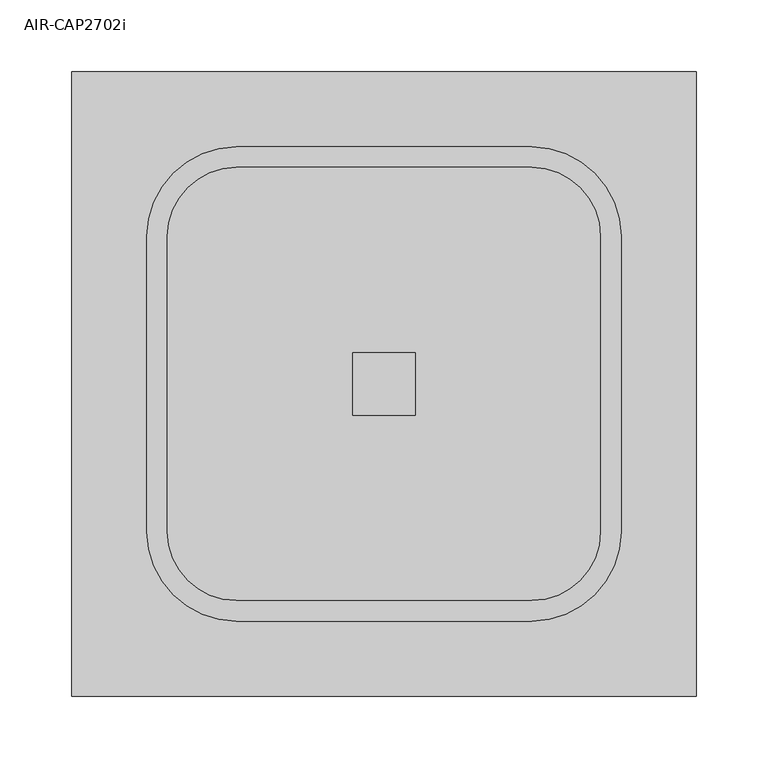
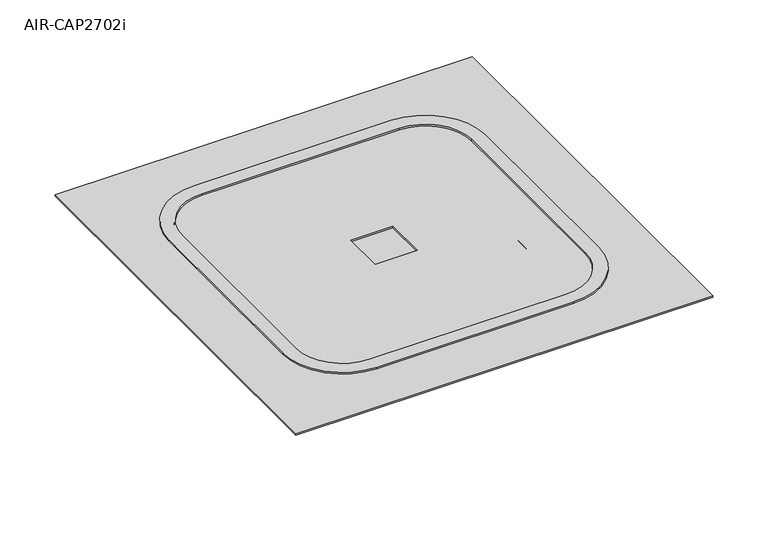
"""IFC4 building model written with IfcOpenShell, lengths in millimetres: electric appliance geometry, AIR-CAP2702i."""

from ifc_helpers import new_model, si_unit, point, frame, frame_2d, origin, origin_with_axes, place, context, project, spatial, polyline, circle_curve, ellipse_curve, trimmed, segment, composite_curve, outline, extrude, source, transform, mapped, element, save
from ifc_brep_helpers import plane_surface, cylinder_surface, revolved_surface, advanced_brep


def air_cap2702i_c8866272(model_context):
    return source(origin(), model_context, "Body", "SolidModel", [
        extrude(outline(composite_curve([segment(polyline([(182.0758539, -55.3225994), (-23.6641461, -55.3225994)]), True, "CONTINUOUS"), segment(trimmed(circle_curve(frame_2d((-23.6641461, -23.3036249)), 32.0189745), [point((-23.6641461, -55.3225994))], [point((-55.6831205, -23.3036249))], False, "CARTESIAN"), True, "CONTINUOUS"), segment(polyline([(-55.6831205, -23.3036249), (-55.6831205, 182.4363751)]), True, "CONTINUOUS"), segment(trimmed(circle_curve(frame_2d((-23.6641461, 182.4363751)), 32.0189745), [point((-55.6831205, 182.4363751))], [point((-23.6641461, 214.4553495))], False, "CARTESIAN"), True, "CONTINUOUS"), segment(polyline([(-23.6641461, 214.4553495), (182.0758539, 214.4553495)]), True, "CONTINUOUS"), segment(trimmed(circle_curve(frame_2d((182.0758539, 182.4363751)), 32.0189745), [point((182.0758539, 214.4553495))], [point((214.0948284, 182.4363751))], False, "CARTESIAN"), True, "CONTINUOUS"), segment(polyline([(214.0948284, 182.4363751), (214.0948284, -23.3036249)]), True, "CONTINUOUS"), segment(trimmed(circle_curve(frame_2d((182.0758539, -23.3036249)), 32.0189745), [point((214.0948284, -23.3036249))], [point((182.0758539, -55.3225994))], False, "CARTESIAN"), True, "CONTINUOUS")], self_intersect=False)), frame((0.0, 0.0, -50.8), z_axis=(0.0, 0.0, 1.0), x_axis=(1.0, 0.0, 0.0)), (0.0, 0.0, 1.0), 1.5875),
        advanced_brep(
        [(231.6058539, -23.3036249, -1.778), (231.6058539, -23.3036249, 1.5875), (182.0758539, -72.8336249, 1.5875), (182.0758539, -72.8336249, -1.778), (226.6896043, -23.3036249, -39.7314476), (182.0758539, -67.9173752, -39.7314476), (214.0948284, -23.3036249, -50.8), (182.0758539, -55.3225994, -50.8), (214.0948284, -23.3036249, -49.2125), (182.0758539, -55.3225994, -49.2125), (225.1152573, -23.3036249, -39.5275167), (182.0758539, -66.3430283, -39.5275167), (230.0183539, -23.3036249, -1.6756104), (182.0758539, -71.2461249, -1.6756104), (230.0183539, -23.3036249, 3.175), (182.0758539, -71.2461249, 3.175), (244.3058539, -23.3036249, 1.5875), (244.3058539, -23.3036249, 3.175), (182.0758539, -85.5336249, 3.175), (182.0758539, -85.5336249, 1.5875), (231.6058539, 182.4363751, -1.778), (231.6058539, 182.4363751, 1.5875), (226.6896043, 182.4363751, -39.7314476), (214.0948284, 182.4363751, -50.8), (214.0948284, 182.4363751, -49.2125), (225.1152573, 182.4363751, -39.5275167), (230.0183539, 182.4363751, -1.6756104), (230.0183539, 182.4363751, 3.175), (244.3058539, 182.4363751, 1.5875), (244.3058539, 182.4363751, 3.175), (182.0758539, 231.9663751, -1.778), (182.0758539, 231.9663751, 1.5875), (182.0758539, 227.0501254, -39.7314476), (182.0758539, 214.4553495, -50.8), (182.0758539, 214.4553495, -49.2125), (182.0758539, 225.4757784, -39.5275167), (182.0758539, 230.3788751, -1.6756104), (182.0758539, 230.3788751, 3.175), (182.0758539, 244.6663751, 1.5875), (182.0758539, 244.6663751, 3.175), (-23.6641461, 231.9663751, -1.778), (-23.6641461, 231.9663751, 1.5875), (-23.6641461, 227.0501254, -39.7314476), (-23.6641461, 214.4553495, -50.8), (-23.6641461, 214.4553495, -49.2125), (-23.6641461, 225.4757784, -39.5275167), (-23.6641461, 230.3788751, -1.6756104), (-23.6641461, 230.3788751, 3.175), (-23.6641461, 244.6663751, 1.5875), (-23.6641461, 244.6663751, 3.175), (-73.1941461, 182.4363751, -1.778), (-73.1941461, 182.4363751, 1.5875), (-68.2778964, 182.4363751, -39.7314476), (-55.6831205, 182.4363751, -50.8), (-55.6831205, 182.4363751, -49.2125), (-66.7035494, 182.4363751, -39.5275167), (-71.6066461, 182.4363751, -1.6756104), (-71.6066461, 182.4363751, 3.175), (-85.8941461, 182.4363751, 1.5875), (-85.8941461, 182.4363751, 3.175), (-73.1941461, -23.3036249, -1.778), (-73.1941461, -23.3036249, 1.5875), (-68.2778964, -23.3036249, -39.7314476), (-55.6831205, -23.3036249, -50.8), (-55.6831205, -23.3036249, -49.2125), (-66.7035494, -23.3036249, -39.5275167), (-71.6066461, -23.3036249, -1.6756104), (-71.6066461, -23.3036249, 3.175), (-85.8941461, -23.3036249, 1.5875), (-85.8941461, -23.3036249, 3.175), (-23.6641461, -72.8336249, -1.778), (-23.6641461, -72.8336249, 1.5875), (-23.6641461, -67.9173752, -39.7314476), (-23.6641461, -55.3225994, -50.8), (-23.6641461, -55.3225994, -49.2125), (-23.6641461, -66.3430283, -39.5275167), (-23.6641461, -71.2461249, -1.6756104), (-23.6641461, -71.2461249, 3.175), (-23.6641461, -85.5336249, 3.175), (-23.6641461, -85.5336249, 1.5875)],
        [
            (0, 1),
            (1, 2, circle_curve(frame((182.0758539, -23.3036249, 1.5875), z_axis=(0.0, 0.0, -1.0), x_axis=(0.0, -1.0, 0.0)), 49.53)),
            (2, 3),
            (3, 0, circle_curve(frame((182.0758539, -23.3036249, -1.778), z_axis=(0.0, 0.0, 1.0), x_axis=(0.0, -1.0, 0.0)), 49.53)),
            (4, 0),
            (3, 5),
            (5, 4, circle_curve(frame((182.0758539, -23.3036249, -39.7314476), z_axis=(0.0, 0.0, 1.0), x_axis=(0.0, -1.0, 0.0)), 44.6137503)),
            (6, 4, circle_curve(frame((214.0948284, -23.3036249, -38.1), z_axis=(0.0, -1.0, 0.0), x_axis=(1.0, 0.0, 0.0)), 12.7)),
            (5, 7, circle_curve(frame((182.0758539, -55.3225994, -38.1), z_axis=(1.0, 0.0, 0.0), x_axis=(0.0, -1.0, 0.0)), 12.7)),
            (7, 6, circle_curve(frame((182.0758539, -23.3036249, -50.8), z_axis=(0.0, 0.0, 1.0), x_axis=(0.0, -1.0, 0.0)), 32.0189745)),
            (8, 6),
            (7, 9),
            (9, 8, circle_curve(frame((182.0758539, -23.3036249, -49.2125), z_axis=(0.0, 0.0, 1.0), x_axis=(0.0, -1.0, 0.0)), 32.0189745)),
            (10, 8, circle_curve(frame((214.0948284, -23.3036249, -38.1), z_axis=(0.0, 1.0, 0.0), x_axis=(1.0, 0.0, 0.0)), 11.1125)),
            (9, 11, circle_curve(frame((182.0758539, -55.3225994, -38.1), z_axis=(-1.0, 0.0, 0.0), x_axis=(0.0, -1.0, 0.0)), 11.1125)),
            (11, 10, circle_curve(frame((182.0758539, -23.3036249, -39.5275167), z_axis=(0.0, 0.0, 1.0), x_axis=(0.0, -1.0, 0.0)), 43.0394033)),
            (12, 10),
            (11, 13),
            (13, 12, circle_curve(frame((182.0758539, -23.3036249, -1.6756104), z_axis=(0.0, 0.0, 1.0), x_axis=(0.0, -1.0, 0.0)), 47.9425)),
            (14, 12),
            (13, 15),
            (15, 14, circle_curve(frame((182.0758539, -23.3036249, 3.175), z_axis=(0.0, 0.0, 1.0), x_axis=(0.0, -1.0, 0.0)), 47.9425)),
            (16, 17),
            (17, 18, circle_curve(frame((182.0758539, -23.3036249, 3.175), z_axis=(0.0, 0.0, -1.0), x_axis=(0.0, -1.0, 0.0)), 62.23)),
            (18, 19),
            (19, 16, circle_curve(frame((182.0758539, -23.3036249, 1.5875), z_axis=(0.0, 0.0, 1.0), x_axis=(0.0, -1.0, 0.0)), 62.23)),
            (0, 20),
            (20, 21),
            (21, 1),
            (4, 22),
            (22, 20),
            (6, 23),
            (23, 22, circle_curve(frame((214.0948284, 182.4363751, -38.1), z_axis=(0.0, -1.0, 0.0), x_axis=(1.0, 0.0, 0.0)), 12.7)),
            (8, 24),
            (24, 23),
            (10, 25),
            (25, 24, circle_curve(frame((214.0948284, 182.4363751, -38.1), z_axis=(0.0, 1.0, 0.0), x_axis=(1.0, 0.0, 0.0)), 11.1125)),
            (12, 26),
            (26, 25),
            (14, 27),
            (27, 26),
            (16, 28),
            (28, 29),
            (29, 17),
            (30, 31),
            (31, 21, circle_curve(frame((182.0758539, 182.4363751, 1.5875), z_axis=(0.0, 0.0, -1.0), x_axis=(1.0, 0.0, 0.0)), 49.53)),
            (20, 30, circle_curve(frame((182.0758539, 182.4363751, -1.778), z_axis=(0.0, 0.0, 1.0), x_axis=(1.0, 0.0, 0.0)), 49.53)),
            (32, 30),
            (22, 32, circle_curve(frame((182.0758539, 182.4363751, -39.7314476), z_axis=(0.0, 0.0, 1.0), x_axis=(1.0, 0.0, 0.0)), 44.6137503)),
            (33, 32, circle_curve(frame((182.0758539, 214.4553495, -38.1), z_axis=(1.0, 0.0, 0.0), x_axis=(0.0, 1.0, 0.0)), 12.7)),
            (23, 33, circle_curve(frame((182.0758539, 182.4363751, -50.8), z_axis=(0.0, 0.0, 1.0), x_axis=(1.0, 0.0, 0.0)), 32.0189745)),
            (34, 33),
            (24, 34, circle_curve(frame((182.0758539, 182.4363751, -49.2125), z_axis=(0.0, 0.0, 1.0), x_axis=(1.0, 0.0, 0.0)), 32.0189745)),
            (35, 34, circle_curve(frame((182.0758539, 214.4553495, -38.1), z_axis=(-1.0, 0.0, 0.0), x_axis=(0.0, 1.0, 0.0)), 11.1125)),
            (25, 35, circle_curve(frame((182.0758539, 182.4363751, -39.5275167), z_axis=(0.0, 0.0, 1.0), x_axis=(1.0, 0.0, 0.0)), 43.0394033)),
            (36, 35),
            (26, 36, circle_curve(frame((182.0758539, 182.4363751, -1.6756104), z_axis=(0.0, 0.0, 1.0), x_axis=(1.0, 0.0, 0.0)), 47.9425)),
            (37, 36),
            (27, 37, circle_curve(frame((182.0758539, 182.4363751, 3.175), z_axis=(0.0, 0.0, 1.0), x_axis=(1.0, 0.0, 0.0)), 47.9425)),
            (38, 39),
            (39, 29, circle_curve(frame((182.0758539, 182.4363751, 3.175), z_axis=(0.0, 0.0, -1.0), x_axis=(1.0, 0.0, 0.0)), 62.23)),
            (28, 38, circle_curve(frame((182.0758539, 182.4363751, 1.5875), z_axis=(0.0, 0.0, 1.0), x_axis=(1.0, 0.0, 0.0)), 62.23)),
            (30, 40),
            (40, 41),
            (41, 31),
            (32, 42),
            (42, 40),
            (33, 43),
            (43, 42, circle_curve(frame((-23.6641461, 214.4553495, -38.1), z_axis=(1.0, 0.0, 0.0), x_axis=(0.0, 1.0, 0.0)), 12.7)),
            (34, 44),
            (44, 43),
            (35, 45),
            (45, 44, circle_curve(frame((-23.6641461, 214.4553495, -38.1), z_axis=(-1.0, 0.0, 0.0), x_axis=(0.0, 1.0, 0.0)), 11.1125)),
            (36, 46),
            (46, 45),
            (37, 47),
            (47, 46),
            (38, 48),
            (48, 49),
            (49, 39),
            (50, 51),
            (51, 41, circle_curve(frame((-23.6641461, 182.4363751, 1.5875), z_axis=(0.0, 0.0, -1.0), x_axis=(0.0, 1.0, 0.0)), 49.53)),
            (40, 50, circle_curve(frame((-23.6641461, 182.4363751, -1.778), z_axis=(0.0, 0.0, 1.0), x_axis=(0.0, 1.0, 0.0)), 49.53)),
            (52, 50),
            (42, 52, circle_curve(frame((-23.6641461, 182.4363751, -39.7314476), z_axis=(0.0, 0.0, 1.0), x_axis=(0.0, 1.0, 0.0)), 44.6137503)),
            (53, 52, circle_curve(frame((-55.6831205, 182.4363751, -38.1), z_axis=(0.0, 1.0, 0.0), x_axis=(-1.0, 0.0, 0.0)), 12.7)),
            (43, 53, circle_curve(frame((-23.6641461, 182.4363751, -50.8), z_axis=(0.0, 0.0, 1.0), x_axis=(0.0, 1.0, 0.0)), 32.0189745)),
            (54, 53),
            (44, 54, circle_curve(frame((-23.6641461, 182.4363751, -49.2125), z_axis=(0.0, 0.0, 1.0), x_axis=(0.0, 1.0, 0.0)), 32.0189745)),
            (55, 54, circle_curve(frame((-55.6831205, 182.4363751, -38.1), z_axis=(0.0, -1.0, 0.0), x_axis=(-1.0, 0.0, 0.0)), 11.1125)),
            (45, 55, circle_curve(frame((-23.6641461, 182.4363751, -39.5275167), z_axis=(0.0, 0.0, 1.0), x_axis=(0.0, 1.0, 0.0)), 43.0394033)),
            (56, 55),
            (46, 56, circle_curve(frame((-23.6641461, 182.4363751, -1.6756104), z_axis=(0.0, 0.0, 1.0), x_axis=(0.0, 1.0, 0.0)), 47.9425)),
            (57, 56),
            (47, 57, circle_curve(frame((-23.6641461, 182.4363751, 3.175), z_axis=(0.0, 0.0, 1.0), x_axis=(0.0, 1.0, 0.0)), 47.9425)),
            (58, 59),
            (59, 49, circle_curve(frame((-23.6641461, 182.4363751, 3.175), z_axis=(0.0, 0.0, -1.0), x_axis=(0.0, 1.0, 0.0)), 62.23)),
            (48, 58, circle_curve(frame((-23.6641461, 182.4363751, 1.5875), z_axis=(0.0, 0.0, 1.0), x_axis=(0.0, 1.0, 0.0)), 62.23)),
            (50, 60),
            (60, 61),
            (61, 51),
            (52, 62),
            (62, 60),
            (53, 63),
            (63, 62, circle_curve(frame((-55.6831205, -23.3036249, -38.1), z_axis=(0.0, 1.0, 0.0), x_axis=(-1.0, 0.0, 0.0)), 12.7)),
            (54, 64),
            (64, 63),
            (55, 65),
            (65, 64, circle_curve(frame((-55.6831205, -23.3036249, -38.1), z_axis=(0.0, -1.0, 0.0), x_axis=(-1.0, 0.0, 0.0)), 11.1125)),
            (56, 66),
            (66, 65),
            (57, 67),
            (67, 66),
            (58, 68),
            (68, 69),
            (69, 59),
            (70, 71),
            (71, 61, circle_curve(frame((-23.6641461, -23.3036249, 1.5875), z_axis=(0.0, 0.0, -1.0), x_axis=(-1.0, 0.0, 0.0)), 49.53)),
            (60, 70, circle_curve(frame((-23.6641461, -23.3036249, -1.778), z_axis=(0.0, 0.0, 1.0), x_axis=(-1.0, 0.0, 0.0)), 49.53)),
            (72, 70),
            (62, 72, circle_curve(frame((-23.6641461, -23.3036249, -39.7314476), z_axis=(0.0, 0.0, 1.0), x_axis=(-1.0, 0.0, 0.0)), 44.6137503)),
            (73, 72, circle_curve(frame((-23.6641461, -55.3225994, -38.1), z_axis=(-1.0, 0.0, 0.0), x_axis=(0.0, -1.0, 0.0)), 12.7)),
            (63, 73, circle_curve(frame((-23.6641461, -23.3036249, -50.8), z_axis=(0.0, 0.0, 1.0), x_axis=(-1.0, 0.0, 0.0)), 32.0189745)),
            (74, 73),
            (64, 74, circle_curve(frame((-23.6641461, -23.3036249, -49.2125), z_axis=(0.0, 0.0, 1.0), x_axis=(-1.0, 0.0, 0.0)), 32.0189745)),
            (75, 74, circle_curve(frame((-23.6641461, -55.3225994, -38.1), z_axis=(1.0, 0.0, 0.0), x_axis=(0.0, -1.0, 0.0)), 11.1125)),
            (65, 75, circle_curve(frame((-23.6641461, -23.3036249, -39.5275167), z_axis=(0.0, 0.0, 1.0), x_axis=(-1.0, 0.0, 0.0)), 43.0394033)),
            (76, 75),
            (66, 76, circle_curve(frame((-23.6641461, -23.3036249, -1.6756104), z_axis=(0.0, 0.0, 1.0), x_axis=(-1.0, 0.0, 0.0)), 47.9425)),
            (77, 76),
            (67, 77, circle_curve(frame((-23.6641461, -23.3036249, 3.175), z_axis=(0.0, 0.0, 1.0), x_axis=(-1.0, 0.0, 0.0)), 47.9425)),
            (78, 18),
            (69, 78, circle_curve(frame((-23.6641461, -23.3036249, 3.175), z_axis=(0.0, 0.0, 1.0), x_axis=(-1.0, 0.0, 0.0)), 62.23)),
            (15, 77),
            (79, 78),
            (68, 79, circle_curve(frame((-23.6641461, -23.3036249, 1.5875), z_axis=(0.0, 0.0, 1.0), x_axis=(-1.0, 0.0, 0.0)), 62.23)),
            (19, 79),
            (71, 2),
            (70, 3),
            (72, 5),
            (73, 7),
            (74, 9),
            (75, 11),
            (76, 13),
        ],
        [
            cylinder_surface(frame((182.0758539, -23.3036249, 0.0), z_axis=(0.0, 0.0, -1.0), x_axis=(0.0, -1.0, 0.0)), 49.53),
            revolved_surface(polyline([(182.0758539, -72.8336249, -1.778), (182.0758539, -67.9173752, -39.7314476)]), (182.0758539, -23.3036249, 0.0), (0.0, 0.0, -1.0)),
            revolved_surface(trimmed(ellipse_curve(frame((182.0758539, -55.3225994, -38.1), z_axis=(1.0, 0.0, 0.0), x_axis=(0.0, -1.0, 0.0)), 12.7, 12.7), [point((182.0758539, -67.9173752, -39.7314476))], [point((182.0758539, -55.3225994, -50.8))], True, "CARTESIAN"), (182.0758539, -23.3036249, 0.0), (0.0, 0.0, -1.0)),
            revolved_surface(polyline([(182.0758539, -55.3225994, -50.8), (182.0758539, -55.3225994, -49.2125)]), (182.0758539, -23.3036249, 0.0), (0.0, 0.0, -1.0)),
            revolved_surface(trimmed(ellipse_curve(frame((182.0758539, -55.3225994, -38.1), z_axis=(-1.0, 0.0, 0.0), x_axis=(0.0, -1.0, 0.0)), 11.1125, 11.1125), [point((182.0758539, -55.3225994, -49.2125))], [point((182.0758539, -66.3430283, -39.5275167))], True, "CARTESIAN"), (182.0758539, -23.3036249, 0.0), (0.0, 0.0, -1.0)),
            revolved_surface(polyline([(182.0758539, -66.3430283, -39.5275167), (182.0758539, -71.2461249, -1.6756104)]), (182.0758539, -23.3036249, 0.0), (0.0, 0.0, -1.0)),
            revolved_surface(polyline([(182.0758539, -71.2461249, -1.6756104), (182.0758539, -71.2461249, 3.175)]), (182.0758539, -23.3036249, 0.0), (0.0, 0.0, -1.0)),
            cylinder_surface(frame((182.0758539, -23.3036249, 0.0), z_axis=(0.0, 0.0, -1.0), x_axis=(0.0, -1.0, 0.0)), 62.23),
            plane_surface(frame((231.6058539, -23.3036249, 1.5875), z_axis=(1.0, 0.0, 0.0), x_axis=(0.0, 1.0, 0.0))),
            plane_surface(frame((231.6058539, -23.3036249, -1.778), z_axis=(0.9917146334184787, 0.0, -0.12846044474332385), x_axis=(0.0, 1.0, 0.0))),
            cylinder_surface(frame((214.0948284, -23.3036249, -38.1), z_axis=(0.0, -1.0, 0.0), x_axis=(1.0, 0.0, 0.0)), 12.7),
            plane_surface(frame((214.0948284, -23.3036249, -50.8), z_axis=(-1.0, 0.0, 0.0), x_axis=(0.0, 1.0, 0.0))),
            revolved_surface(polyline([(225.20732840000002, 182.4363751, -38.1), (225.20732840000002, -23.3036249, -38.1)]), (214.0948284, -23.3036249, -38.1), (0.0, 1.0, 0.0)),
            plane_surface(frame((225.1152573, -23.3036249, -39.5275167), z_axis=(-0.9917146334184783, 0.0, 0.12846044474332674), x_axis=(0.0, 1.0, 0.0))),
            plane_surface(frame((230.0183539, -23.3036249, -1.6756104), z_axis=(-1.0, 0.0, 0.0), x_axis=(0.0, 1.0, 0.0))),
            plane_surface(frame((244.3058539, -23.3036249, 3.175), z_axis=(1.0, 0.0, 0.0), x_axis=(0.0, 1.0, 0.0))),
            cylinder_surface(frame((182.0758539, 182.4363751, 0.0), z_axis=(0.0, 0.0, -1.0), x_axis=(1.0, 0.0, 0.0)), 49.53),
            revolved_surface(polyline([(231.6058539, 182.4363751, -1.778), (226.6896043, 182.4363751, -39.7314476)]), (182.0758539, 182.4363751, 0.0), (0.0, 0.0, -1.0)),
            revolved_surface(trimmed(ellipse_curve(frame((214.0948284, 182.4363751, -38.1), z_axis=(0.0, 1.0, 0.0), x_axis=(1.0, 0.0, 0.0)), 12.7, 12.7), [point((226.6896043, 182.4363751, -39.7314476))], [point((214.0948284, 182.4363751, -50.8))], True, "CARTESIAN"), (182.0758539, 182.4363751, 0.0), (0.0, 0.0, -1.0)),
            revolved_surface(polyline([(214.09482839999998, 182.4363751, -50.8), (214.09482839999998, 182.4363751, -49.2125)]), (182.0758539, 182.4363751, 0.0), (0.0, 0.0, -1.0)),
            revolved_surface(trimmed(ellipse_curve(frame((214.0948284, 182.4363751, -38.1), z_axis=(0.0, -1.0, 0.0), x_axis=(1.0, 0.0, 0.0)), 11.1125, 11.1125), [point((214.0948284, 182.4363751, -49.2125))], [point((225.1152573, 182.4363751, -39.5275167))], True, "CARTESIAN"), (182.0758539, 182.4363751, 0.0), (0.0, 0.0, -1.0)),
            revolved_surface(polyline([(225.1152573, 182.4363751, -39.5275167), (230.0183539, 182.4363751, -1.6756104)]), (182.0758539, 182.4363751, 0.0), (0.0, 0.0, -1.0)),
            revolved_surface(polyline([(230.0183539, 182.4363751, -1.6756104), (230.0183539, 182.4363751, 3.175)]), (182.0758539, 182.4363751, 0.0), (0.0, 0.0, -1.0)),
            cylinder_surface(frame((182.0758539, 182.4363751, 0.0), z_axis=(0.0, 0.0, -1.0), x_axis=(1.0, 0.0, 0.0)), 62.23),
            plane_surface(frame((182.0758539, 231.9663751, 1.5875), z_axis=(0.0, 1.0, 0.0), x_axis=(-1.0, 0.0, 0.0))),
            plane_surface(frame((182.0758539, 231.9663751, -1.778), z_axis=(0.0, 0.9917146334184787, -0.12846044474332385), x_axis=(-1.0, 0.0, 0.0))),
            cylinder_surface(frame((182.0758539, 214.4553495, -38.1), z_axis=(1.0, 0.0, 0.0), x_axis=(0.0, 1.0, 0.0)), 12.7),
            plane_surface(frame((182.0758539, 214.4553495, -50.8), z_axis=(0.0, -1.0, 0.0), x_axis=(-1.0, 0.0, 0.0))),
            revolved_surface(polyline([(-23.66414610000001, 225.56784950000002, -38.1), (182.0758539, 225.56784950000002, -38.1)]), (182.0758539, 214.4553495, -38.1), (-1.0, 0.0, 0.0)),
            plane_surface(frame((182.0758539, 225.4757784, -39.5275167), z_axis=(0.0, -0.9917146334184783, 0.12846044474332674), x_axis=(-1.0, 0.0, 0.0))),
            plane_surface(frame((182.0758539, 230.3788751, -1.6756104), z_axis=(0.0, -1.0, 0.0), x_axis=(-1.0, 0.0, 0.0))),
            plane_surface(frame((182.0758539, 244.6663751, 3.175), z_axis=(0.0, 1.0, 0.0), x_axis=(-1.0, 0.0, 0.0))),
            cylinder_surface(frame((-23.6641461, 182.4363751, 0.0), z_axis=(0.0, 0.0, -1.0), x_axis=(0.0, 1.0, 0.0)), 49.53),
            revolved_surface(polyline([(-23.6641461, 231.9663751, -1.778), (-23.6641461, 227.0501254, -39.7314476)]), (-23.6641461, 182.4363751, 0.0), (0.0, 0.0, -1.0)),
            revolved_surface(trimmed(ellipse_curve(frame((-23.6641461, 214.4553495, -38.1), z_axis=(-1.0, 0.0, 0.0), x_axis=(0.0, 1.0, 0.0)), 12.7, 12.7), [point((-23.6641461, 227.0501254, -39.7314476))], [point((-23.6641461, 214.4553495, -50.8))], True, "CARTESIAN"), (-23.6641461, 182.4363751, 0.0), (0.0, 0.0, -1.0)),
            revolved_surface(polyline([(-23.6641461, 214.45534959999998, -50.8), (-23.6641461, 214.45534959999998, -49.2125)]), (-23.6641461, 182.4363751, 0.0), (0.0, 0.0, -1.0)),
            revolved_surface(trimmed(ellipse_curve(frame((-23.6641461, 214.4553495, -38.1), z_axis=(1.0, 0.0, 0.0), x_axis=(0.0, 1.0, 0.0)), 11.1125, 11.1125), [point((-23.6641461, 214.4553495, -49.2125))], [point((-23.6641461, 225.4757784, -39.5275167))], True, "CARTESIAN"), (-23.6641461, 182.4363751, 0.0), (0.0, 0.0, -1.0)),
            revolved_surface(polyline([(-23.6641461, 225.4757784, -39.5275167), (-23.6641461, 230.3788751, -1.6756104)]), (-23.6641461, 182.4363751, 0.0), (0.0, 0.0, -1.0)),
            revolved_surface(polyline([(-23.6641461, 230.3788751, -1.6756104), (-23.6641461, 230.3788751, 3.175)]), (-23.6641461, 182.4363751, 0.0), (0.0, 0.0, -1.0)),
            cylinder_surface(frame((-23.6641461, 182.4363751, 0.0), z_axis=(0.0, 0.0, -1.0), x_axis=(0.0, 1.0, 0.0)), 62.23),
            plane_surface(frame((-73.1941461, 182.4363751, 1.5875), z_axis=(-1.0, 0.0, 0.0), x_axis=(0.0, -1.0, 0.0))),
            plane_surface(frame((-73.1941461, 182.4363751, -1.778), z_axis=(-0.9917146334184787, 0.0, -0.12846044474332385), x_axis=(0.0, -1.0, 0.0))),
            cylinder_surface(frame((-55.6831205, 182.4363751, -38.1), z_axis=(0.0, 1.0, 0.0), x_axis=(-1.0, 0.0, 0.0)), 12.7),
            plane_surface(frame((-55.6831205, 182.4363751, -50.8), z_axis=(1.0, 0.0, 0.0), x_axis=(0.0, -1.0, 0.0))),
            revolved_surface(polyline([(-66.7956205, -23.30362489999999, -38.1), (-66.7956205, 182.4363751, -38.1)]), (-55.6831205, 182.4363751, -38.1), (0.0, -1.0, 0.0)),
            plane_surface(frame((-66.7035494, 182.4363751, -39.5275167), z_axis=(0.9917146334184783, 0.0, 0.12846044474332674), x_axis=(0.0, -1.0, 0.0))),
            plane_surface(frame((-71.6066461, 182.4363751, -1.6756104), z_axis=(1.0, 0.0, 0.0), x_axis=(0.0, -1.0, 0.0))),
            plane_surface(frame((-85.8941461, 182.4363751, 3.175), z_axis=(-1.0, 0.0, 0.0), x_axis=(0.0, -1.0, 0.0))),
            cylinder_surface(frame((-23.6641461, -23.3036249, 0.0), z_axis=(0.0, 0.0, -1.0), x_axis=(-1.0, 0.0, 0.0)), 49.53),
            revolved_surface(polyline([(-73.1941461, -23.3036249, -1.778), (-68.2778964, -23.3036249, -39.7314476)]), (-23.6641461, -23.3036249, 0.0), (0.0, 0.0, -1.0)),
            revolved_surface(trimmed(ellipse_curve(frame((-55.6831205, -23.3036249, -38.1), z_axis=(0.0, -1.0, 0.0), x_axis=(-1.0, 0.0, 0.0)), 12.7, 12.7), [point((-68.2778964, -23.3036249, -39.7314476))], [point((-55.6831205, -23.3036249, -50.8))], True, "CARTESIAN"), (-23.6641461, -23.3036249, 0.0), (0.0, 0.0, -1.0)),
            revolved_surface(polyline([(-55.683120599999995, -23.3036249, -50.8), (-55.683120599999995, -23.3036249, -49.2125)]), (-23.6641461, -23.3036249, 0.0), (0.0, 0.0, -1.0)),
            revolved_surface(trimmed(ellipse_curve(frame((-55.6831205, -23.3036249, -38.1), z_axis=(0.0, 1.0, 0.0), x_axis=(-1.0, 0.0, 0.0)), 11.1125, 11.1125), [point((-55.6831205, -23.3036249, -49.2125))], [point((-66.7035494, -23.3036249, -39.5275167))], True, "CARTESIAN"), (-23.6641461, -23.3036249, 0.0), (0.0, 0.0, -1.0)),
            revolved_surface(polyline([(-66.7035494, -23.3036249, -39.5275167), (-71.6066461, -23.3036249, -1.6756104)]), (-23.6641461, -23.3036249, 0.0), (0.0, 0.0, -1.0)),
            revolved_surface(polyline([(-71.6066461, -23.3036249, -1.6756104), (-71.6066461, -23.3036249, 3.175)]), (-23.6641461, -23.3036249, 0.0), (0.0, 0.0, -1.0)),
            plane_surface(frame((-23.6641461, -23.3036249, 3.175), z_axis=(0.0, 0.0, 1.0), x_axis=(-1.0, 0.0, 0.0))),
            cylinder_surface(frame((-23.6641461, -23.3036249, 0.0), z_axis=(0.0, 0.0, -1.0), x_axis=(-1.0, 0.0, 0.0)), 62.23),
            plane_surface(frame((-23.6641461, -23.3036249, 1.5875), z_axis=(0.0, 0.0, -1.0), x_axis=(-1.0, 0.0, 0.0))),
            plane_surface(frame((-23.6641461, -72.8336249, 1.5875), z_axis=(0.0, -1.0, 0.0), x_axis=(1.0, 0.0, 0.0))),
            plane_surface(frame((-23.6641461, -72.8336249, -1.778), z_axis=(0.0, -0.9917146334184787, -0.12846044474332385), x_axis=(1.0, 0.0, 0.0))),
            cylinder_surface(frame((-23.6641461, -55.3225994, -38.1), z_axis=(-1.0, 0.0, 0.0), x_axis=(0.0, -1.0, 0.0)), 12.7),
            plane_surface(frame((-23.6641461, -55.3225994, -50.8), z_axis=(0.0, 1.0, 0.0), x_axis=(1.0, 0.0, 0.0))),
            revolved_surface(polyline([(182.0758539, -66.4350994, -38.1), (-23.6641461, -66.4350994, -38.1)]), (-23.6641461, -55.3225994, -38.1), (1.0, 0.0, 0.0)),
            plane_surface(frame((-23.6641461, -66.3430283, -39.5275167), z_axis=(0.0, 0.9917146334184783, 0.12846044474332674), x_axis=(1.0, 0.0, 0.0))),
            plane_surface(frame((-23.6641461, -71.2461249, -1.6756104), z_axis=(0.0, 1.0, 0.0), x_axis=(1.0, 0.0, 0.0))),
            plane_surface(frame((-23.6641461, -85.5336249, 3.175), z_axis=(0.0, -1.0, 0.0), x_axis=(1.0, 0.0, 0.0))),
        ],
        [
            (0, [[1, 2, 3, 4]]),
            (1, [[5, -4, 6, 7]]),
            (2, [[8, -7, 9, 10]]),
            (3, [[11, -10, 12, 13]]),
            (4, [[14, -13, 15, 16]]),
            (5, [[17, -16, 18, 19]]),
            (6, [[20, -19, 21, 22]]),
            (7, [[23, 24, 25, 26]]),
            (8, [[27, 28, 29, -1]]),
            (9, [[30, 31, -27, -5]]),
            (10, [[32, 33, -30, -8]]),
            (11, [[34, 35, -32, -11]]),
            (12, [[36, 37, -34, -14]]),
            (13, [[38, 39, -36, -17]]),
            (14, [[40, 41, -38, -20]]),
            (15, [[42, 43, 44, -23]]),
            (16, [[45, 46, -28, 47]]),
            (17, [[48, -47, -31, 49]]),
            (18, [[50, -49, -33, 51]]),
            (19, [[52, -51, -35, 53]]),
            (20, [[54, -53, -37, 55]]),
            (21, [[56, -55, -39, 57]]),
            (22, [[58, -57, -41, 59]]),
            (23, [[60, 61, -43, 62]]),
            (24, [[63, 64, 65, -45]]),
            (25, [[66, 67, -63, -48]]),
            (26, [[68, 69, -66, -50]]),
            (27, [[70, 71, -68, -52]]),
            (28, [[72, 73, -70, -54]]),
            (29, [[74, 75, -72, -56]]),
            (30, [[76, 77, -74, -58]]),
            (31, [[78, 79, 80, -60]]),
            (32, [[81, 82, -64, 83]]),
            (33, [[84, -83, -67, 85]]),
            (34, [[86, -85, -69, 87]]),
            (35, [[88, -87, -71, 89]]),
            (36, [[90, -89, -73, 91]]),
            (37, [[92, -91, -75, 93]]),
            (38, [[94, -93, -77, 95]]),
            (39, [[96, 97, -79, 98]]),
            (40, [[99, 100, 101, -81]]),
            (41, [[102, 103, -99, -84]]),
            (42, [[104, 105, -102, -86]]),
            (43, [[106, 107, -104, -88]]),
            (44, [[108, 109, -106, -90]]),
            (45, [[110, 111, -108, -92]]),
            (46, [[112, 113, -110, -94]]),
            (47, [[114, 115, 116, -96]]),
            (48, [[117, 118, -100, 119]]),
            (49, [[120, -119, -103, 121]]),
            (50, [[122, -121, -105, 123]]),
            (51, [[124, -123, -107, 125]]),
            (52, [[126, -125, -109, 127]]),
            (53, [[128, -127, -111, 129]]),
            (54, [[130, -129, -113, 131]]),
            (55, [[132, -24, -44, -61, -80, -97, -116, 133], [-59, -40, -22, 134, -131, -112, -95, -76]]),
            (56, [[135, -133, -115, 136]]),
            (57, [[-62, -42, -26, 137, -136, -114, -98, -78], [138, -2, -29, -46, -65, -82, -101, -118]]),
            (58, [[139, -3, -138, -117]]),
            (59, [[140, -6, -139, -120]]),
            (60, [[141, -9, -140, -122]]),
            (61, [[142, -12, -141, -124]]),
            (62, [[143, -15, -142, -126]]),
            (63, [[144, -18, -143, -128]]),
            (64, [[-134, -21, -144, -130]]),
            (65, [[-137, -25, -132, -135]]),
        ],
    ),
        extrude(outline(composite_curve([segment(polyline([(182.0758539, -72.8336249), (-23.6641461, -72.8336249)]), True, "CONTINUOUS"), segment(trimmed(circle_curve(frame_2d((-23.6641461, -23.3036249)), 49.53), [point((-23.6641461, -72.8336249))], [point((-73.1941461, -23.3036249))], False, "CARTESIAN"), True, "CONTINUOUS"), segment(polyline([(-73.1941461, -23.3036249), (-73.1941461, 182.4363751)]), True, "CONTINUOUS"), segment(trimmed(circle_curve(frame_2d((-23.6641461, 182.4363751)), 49.53), [point((-73.1941461, 182.4363751))], [point((-23.6641461, 231.9663751))], False, "CARTESIAN"), True, "CONTINUOUS"), segment(polyline([(-23.6641461, 231.9663751), (182.0758539, 231.9663751)]), True, "CONTINUOUS"), segment(trimmed(circle_curve(frame_2d((182.0758539, 182.4363751)), 49.53), [point((182.0758539, 231.9663751))], [point((231.6058539, 182.4363751))], False, "CARTESIAN"), True, "CONTINUOUS"), segment(polyline([(231.6058539, 182.4363751), (231.6058539, -23.3036249)]), True, "CONTINUOUS"), segment(trimmed(circle_curve(frame_2d((182.0758539, -23.3036249)), 49.53), [point((231.6058539, -23.3036249))], [point((182.0758539, -72.8336249))], False, "CARTESIAN"), True, "CONTINUOUS")], self_intersect=False), holes=[polyline([(101.0996039, 57.6726251), (101.0996039, 101.4601251), (57.3121039, 101.4601251), (57.3121039, 57.6726251), (101.0996039, 57.6726251)])]), origin_with_axes(), (0.0, 0.0, 1.0), 1.5875),
        extrude(outline(polyline([(296.6933539, -137.9211249), (-138.2816461, -137.9211249), (-138.2816461, 297.0538751), (296.6933539, 297.0538751), (296.6933539, -137.9211249)]), holes=[polyline([(187.6183539, -28.8461249), (187.6183539, 187.9788751), (-29.2066461, 187.9788751), (-29.2066461, -28.8461249), (187.6183539, -28.8461249)])]), origin_with_axes(), (0.0, 0.0, 1.0), 1.5875),
    ])


if __name__ == "__main__":
    model = new_model("IFC4")
    model_context = context("Model", 3, world=origin())
    ifc_project = project(units=[si_unit("LENGTHUNIT", "METRE", prefix="MILLI")], contexts=[model_context])
    site = spatial("IfcSite", under=ifc_project)
    building = spatial("IfcBuilding", under=site)
    placement = place(None, origin())
    air_cap2702i_shape = air_cap2702i_c8866272(model_context)
    element("IfcElectricAppliance", 1, ObjectType="AIR-CAP2702i", at=placement, inside=building, context=model_context, shape_type="MappedRepresentation", body=[
        mapped(air_cap2702i_shape, transform((0.0, 0.0, 0.0), x_axis=(1.0, 0.0, 0.0), y_axis=(0.0, 1.0, 0.0), z_axis=(0.0, 0.0, 1.0))),
    ])
    save(model, "model.ifc")
